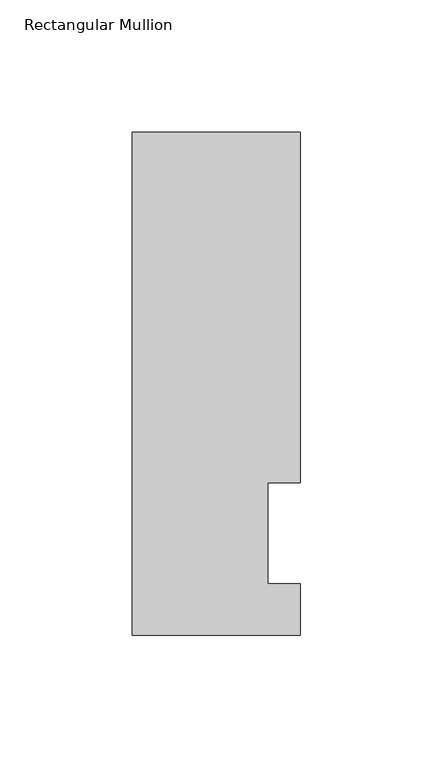
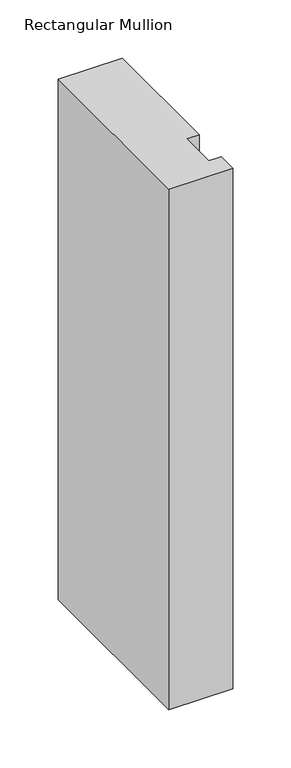
"""IFC4 building model written with IfcOpenShell, lengths in millimetres: member geometry, Rectangular Mullion."""

from ifc_helpers import new_model, si_unit, frame, origin, place, context, project, spatial, polyline, outline, extrude, source, transform, mapped, element, save


def rectangular_mullion_f1409aa8(model_context):
    return source(origin(), model_context, "Body", "SweptSolid", [
        extrude(outline(polyline([(-12.3418395, 57.6460937), (-12.3418395, 19.5460937), (0.0, 19.5460938), (0.0, 0.0134938), (-63.5, 0.0134938), (-63.5, 190.0816937), (0.0, 190.0816937), (0.0, 57.6460937), (-12.3418395, 57.6460937)])), frame((0.0, 0.0, -546.1), z_axis=(0.0, 0.0, 1.0), x_axis=(1.0, 0.0, 0.0)), (0.0, 0.0, 1.0), 546.1),
    ])


if __name__ == "__main__":
    model = new_model("IFC4")
    model_context = context("Model", 3, world=origin())
    ifc_project = project(units=[si_unit("LENGTHUNIT", "METRE", prefix="MILLI")], contexts=[model_context])
    site = spatial("IfcSite", under=ifc_project)
    building = spatial("IfcBuilding", under=site)
    placement = place(None, origin())
    rectangular_mullion_shape = rectangular_mullion_f1409aa8(model_context)
    element("IfcMember", 1, ObjectType="Rectangular Mullion", at=placement, inside=building, context=model_context, shape_type="MappedRepresentation", body=[
        mapped(rectangular_mullion_shape, transform((0.0, 0.0, 0.0), x_axis=(1.0, 0.0, 0.0), y_axis=(0.0, 1.0, 0.0), z_axis=(0.0, 0.0, 1.0))),
    ])
    save(model, "model.ifc")
